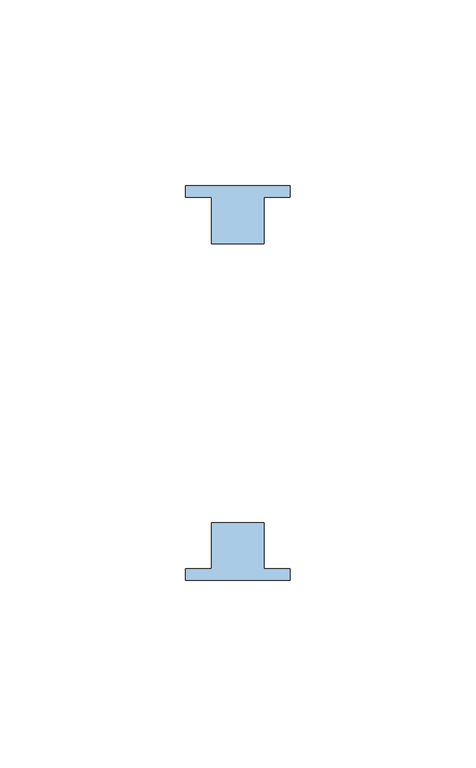
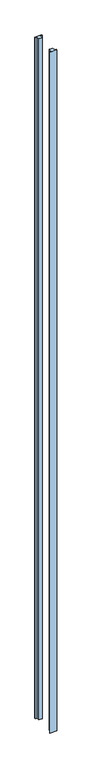
"""IFC4 building model written with IfcOpenShell, lengths in millimetres: window geometry."""

from ifc_helpers import new_model, si_unit, frame, origin, place, context, project, spatial, polyline, outline, extrude, source, transform, mapped, element, save


def window_482288dd(model_context):
    return source(origin(), model_context, "Body", "SweptSolid", [
        extrude(outline(polyline([(514.0, 53.0), (514.0, 50.0), (507.0, 50.0), (507.0, 37.5), (493.0, 37.5), (493.0, 50.0), (486.0, 50.0), (486.0, 53.0), (514.0, 53.0)])), frame((0.0, 0.0, 45.0), z_axis=(0.0, 0.0, 1.0), x_axis=(1.0, 0.0, 0.0)), (0.0, 0.0, 1.0), 2930.0),
        extrude(outline(polyline([(514.0, -53.0), (486.0, -53.0), (486.0, -50.0), (493.0, -50.0), (493.0, -37.5), (507.0, -37.5), (507.0, -50.0), (514.0, -50.0), (514.0, -53.0)])), frame((0.0, 0.0, 45.0), z_axis=(0.0, 0.0, 1.0), x_axis=(1.0, 0.0, 0.0)), (0.0, 0.0, 1.0), 2930.0),
    ])


if __name__ == "__main__":
    model = new_model("IFC4")
    model_context = context("Model", 3, world=origin())
    ifc_project = project(units=[si_unit("LENGTHUNIT", "METRE", prefix="MILLI")], contexts=[model_context])
    site = spatial("IfcSite", under=ifc_project)
    building = spatial("IfcBuilding", under=site)
    placement = place(None, origin())
    window_shape = window_482288dd(model_context)
    element("IfcWindow", 1, at=placement, inside=building, context=model_context, shape_type="MappedRepresentation", body=[
        mapped(window_shape, transform((0.0, 0.0, 0.0), x_axis=(1.0, 0.0, 0.0), y_axis=(0.0, 1.0, 0.0), z_axis=(0.0, 0.0, 1.0))),
    ])
    save(model, "model.ifc")
